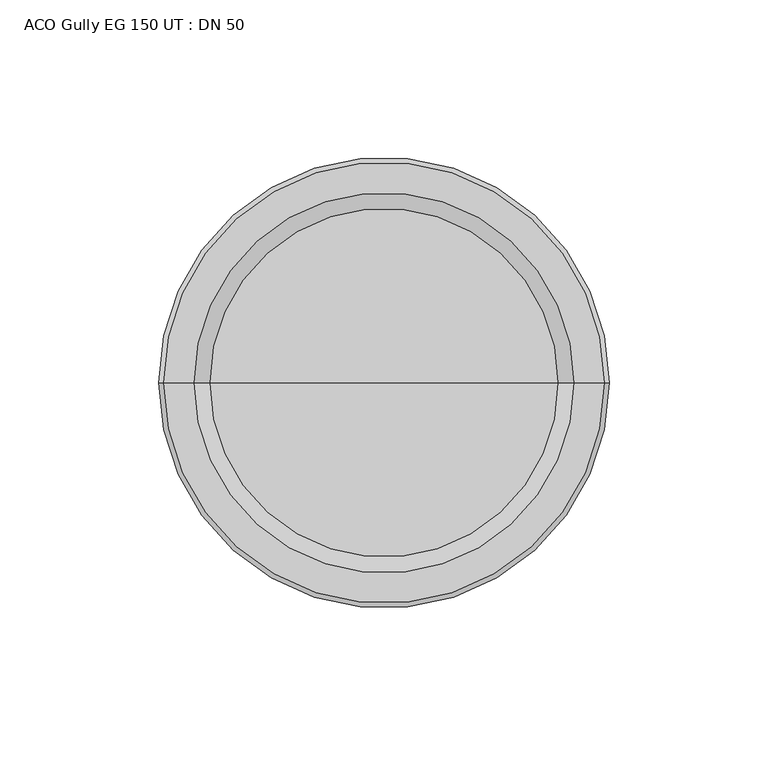
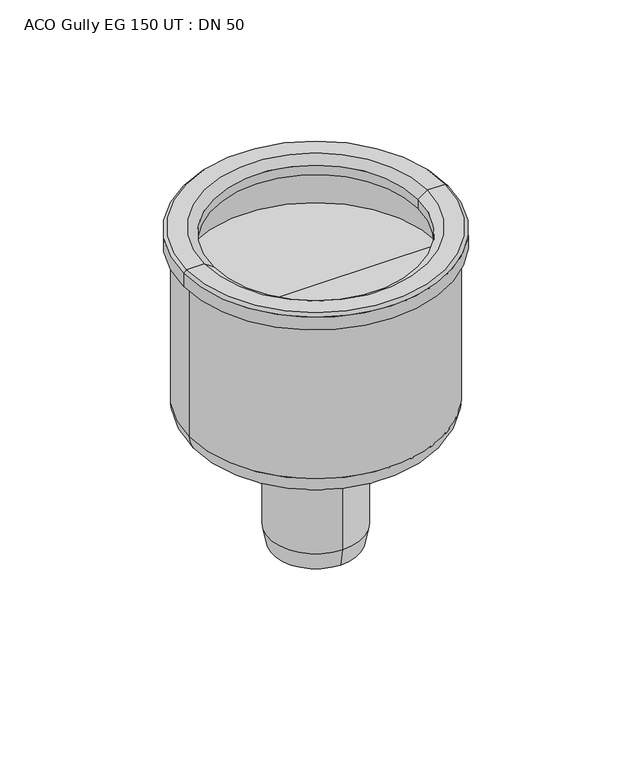
"""IFC4 building model written with IfcOpenShell, lengths in millimetres: flow terminal geometry, ACO Gully EG 150 UT : DN 50."""

from ifc_helpers import new_model, si_unit, point, frame, origin, place, context, project, spatial, polyline, circle_curve, ellipse_curve, trimmed, source, transform, mapped, element, save
from ifc_brep_helpers import plane_surface, cylinder_surface, revolved_surface, advanced_brep


def aco_gully_eg_150_ut_dn_50_e969f59f(model_context):
    return source(origin(), model_context, "Body", "AdvancedBrep", [
        advanced_brep(
        [(-68.0, 0.0, -195.3489424), (68.0, 0.0, -195.3489424), (55.8489424, 0.0, -207.5), (-55.8489424, 0.0, -207.5), (-68.0, 0.0, -108.7851751), (68.0, 0.0, -108.7851751), (0.0, 0.0, -207.5), (-66.5, 0.0, -132.7134268), (66.5, 0.0, -132.7134268), (66.5, 0.0, -108.7851751), (-66.5, 0.0, -108.7851751), (0.0, 0.0, -132.7134268), (-71.0767781, 0.0, -108.7851751), (71.0767781, 0.0, -108.7851751), (-71.0767781, 0.0, -101.5), (71.0767781, 0.0, -101.5), (-69.5767781, 0.0, -100.0), (69.5767781, 0.0, -100.0), (-60.0, 0.0, -100.0), (60.0, 0.0, -100.0), (-55.0, 0.0, -103.4364048), (55.0, 0.0, -103.4364048), (-55.0, 0.0, -108.7851751), (55.0, 0.0, -108.7851751)],
        [
            (0, 1, circle_curve(frame((0.0, 0.0, -195.3489424), z_axis=(0.0, 0.0, -1.0), x_axis=(1.0, 0.0, 0.0)), 68.0)),
            (1, 2, circle_curve(frame((55.8489424, 0.0, -195.3489424), z_axis=(0.0, 1.0, 0.0), x_axis=(1.0, 0.0, 0.0)), 12.1510576)),
            (2, 3, circle_curve(frame((0.0, 0.0, -207.5), z_axis=(0.0, 0.0, 1.0), x_axis=(1.0, 0.0, 0.0)), 55.8489424)),
            (3, 0, circle_curve(frame((-55.8489424, 0.0, -195.3489424), z_axis=(0.0, 1.0, 0.0), x_axis=(-1.0, 0.0, 0.0)), 12.1510576)),
            (1, 0, circle_curve(frame((0.0, 0.0, -195.3489424), z_axis=(0.0, 0.0, -1.0), x_axis=(1.0, 0.0, 0.0)), 68.0)),
            (3, 2, circle_curve(frame((0.0, 0.0, -207.5), z_axis=(0.0, 0.0, 1.0), x_axis=(1.0, 0.0, 0.0)), 55.8489424)),
            (4, 5, circle_curve(frame((0.0, 0.0, -108.7851751), z_axis=(0.0, 0.0, -1.0), x_axis=(1.0, 0.0, 0.0)), 68.0)),
            (5, 1),
            (0, 4),
            (5, 4, circle_curve(frame((0.0, 0.0, -108.7851751), z_axis=(0.0, 0.0, -1.0), x_axis=(1.0, 0.0, 0.0)), 68.0)),
            (2, 6),
            (6, 3),
            (7, 8, circle_curve(frame((0.0, 0.0, -132.7134268), z_axis=(0.0, 0.0, -1.0), x_axis=(1.0, 0.0, 0.0)), 66.5)),
            (8, 9),
            (9, 10, circle_curve(frame((0.0, 0.0, -108.7851751), z_axis=(0.0, 0.0, 1.0), x_axis=(1.0, 0.0, 0.0)), 66.5)),
            (10, 7),
            (8, 7, circle_curve(frame((0.0, 0.0, -132.7134268), z_axis=(0.0, 0.0, -1.0), x_axis=(1.0, 0.0, 0.0)), 66.5)),
            (10, 9, circle_curve(frame((0.0, 0.0, -108.7851751), z_axis=(0.0, 0.0, 1.0), x_axis=(1.0, 0.0, 0.0)), 66.5)),
            (11, 8),
            (7, 11),
            (12, 13, circle_curve(frame((0.0, 0.0, -108.7851751), z_axis=(0.0, 0.0, -1.0), x_axis=(1.0, 0.0, 0.0)), 71.0767781)),
            (13, 5),
            (4, 12),
            (13, 12, circle_curve(frame((0.0, 0.0, -108.7851751), z_axis=(0.0, 0.0, -1.0), x_axis=(1.0, 0.0, 0.0)), 71.0767781)),
            (14, 15, circle_curve(frame((0.0, 0.0, -101.5), z_axis=(0.0, 0.0, -1.0), x_axis=(1.0, 0.0, 0.0)), 71.0767781)),
            (15, 13),
            (12, 14),
            (15, 14, circle_curve(frame((0.0, 0.0, -101.5), z_axis=(0.0, 0.0, -1.0), x_axis=(1.0, 0.0, 0.0)), 71.0767781)),
            (16, 17, circle_curve(frame((0.0, 0.0, -100.0), z_axis=(0.0, 0.0, -1.0), x_axis=(1.0, 0.0, 0.0)), 69.5767781)),
            (17, 15),
            (14, 16),
            (17, 16, circle_curve(frame((0.0, 0.0, -100.0), z_axis=(0.0, 0.0, -1.0), x_axis=(1.0, 0.0, 0.0)), 69.5767781)),
            (18, 19, circle_curve(frame((0.0, 0.0, -100.0), z_axis=(0.0, 0.0, -1.0), x_axis=(1.0, 0.0, 0.0)), 60.0)),
            (19, 17),
            (16, 18),
            (19, 18, circle_curve(frame((0.0, 0.0, -100.0), z_axis=(0.0, 0.0, -1.0), x_axis=(1.0, 0.0, 0.0)), 60.0)),
            (20, 21, circle_curve(frame((0.0, 0.0, -103.4364048), z_axis=(0.0, 0.0, -1.0), x_axis=(1.0, 0.0, 0.0)), 55.0)),
            (21, 19),
            (18, 20),
            (21, 20, circle_curve(frame((0.0, 0.0, -103.4364048), z_axis=(0.0, 0.0, -1.0), x_axis=(1.0, 0.0, 0.0)), 55.0)),
            (22, 23, circle_curve(frame((0.0, 0.0, -108.7851751), z_axis=(0.0, 0.0, -1.0), x_axis=(1.0, 0.0, 0.0)), 55.0)),
            (23, 21),
            (20, 22),
            (23, 22, circle_curve(frame((0.0, 0.0, -108.7851751), z_axis=(0.0, 0.0, -1.0), x_axis=(1.0, 0.0, 0.0)), 55.0)),
            (9, 23),
            (22, 10),
        ],
        [
            revolved_surface(trimmed(ellipse_curve(frame((55.8489424, 0.0, -195.3489424), z_axis=(0.0, -1.0, 0.0), x_axis=(1.0, 0.0, 0.0)), 12.1510576, 12.1510576), [point((55.8489424, 0.0, -207.5))], [point((68.0, 0.0, -195.3489424))], True, "CARTESIAN"), (0.0, 0.0, -101.7134268), (0.0, 0.0, 1.0)),
            cylinder_surface(frame((0.0, 0.0, -101.7134268), z_axis=(0.0, 0.0, 1.0), x_axis=(1.0, 0.0, 0.0)), 68.0),
            plane_surface(frame((0.0, 0.0, -207.5), z_axis=(0.0, 0.0, -1.0), x_axis=(1.0, 0.0, 0.0))),
            revolved_surface(polyline([(66.5, 0.0, -108.7851751), (66.5, 0.0, -132.7134268)]), (0.0, 0.0, -101.7134268), (0.0, 0.0, 1.0)),
            plane_surface(frame((0.0, 0.0, -132.7134268), z_axis=(0.0, 0.0, 1.0), x_axis=(1.0, 0.0, 0.0))),
            plane_surface(frame((0.0, 0.0, -108.7851751), z_axis=(0.0, 0.0, -1.0), x_axis=(1.0, 0.0, 0.0))),
            cylinder_surface(frame((0.0, 0.0, -101.7134268), z_axis=(0.0, 0.0, 1.0), x_axis=(1.0, 0.0, 0.0)), 71.0767781),
            revolved_surface(polyline([(71.0767781, 0.0, -101.5), (69.5767781, 0.0, -100.0)]), (0.0, 0.0, -101.7134268), (0.0, 0.0, 1.0)),
            plane_surface(frame((0.0, 0.0, -100.0), z_axis=(0.0, 0.0, 1.0), x_axis=(1.0, 0.0, 0.0))),
            revolved_surface(polyline([(60.0, 0.0, -100.0), (55.0, 0.0, -103.4364048)]), (0.0, 0.0, -101.7134268), (0.0, 0.0, 1.0)),
            revolved_surface(polyline([(55.0, 0.0, -103.4364048), (55.0, 0.0, -108.7851751)]), (0.0, 0.0, -101.7134268), (0.0, 0.0, 1.0)),
        ],
        [
            (0, [[1, 2, 3, 4]]),
            (0, [[5, -4, 6, -2]]),
            (1, [[7, 8, -1, 9]]),
            (1, [[10, -9, -5, -8]]),
            (2, [[-3, 11, 12]]),
            (2, [[-6, -12, -11]]),
            (3, [[13, 14, 15, 16]]),
            (3, [[17, -16, 18, -14]]),
            (4, [[19, -13, 20]]),
            (4, [[-20, -17, -19]]),
            (5, [[21, 22, -7, 23]]),
            (5, [[24, -23, -10, -22]]),
            (6, [[25, 26, -21, 27]]),
            (6, [[28, -27, -24, -26]]),
            (7, [[29, 30, -25, 31]]),
            (7, [[32, -31, -28, -30]]),
            (8, [[33, 34, -29, 35]]),
            (8, [[36, -35, -32, -34]]),
            (9, [[37, 38, -33, 39]]),
            (9, [[40, -39, -36, -38]]),
            (10, [[41, 42, -37, 43]]),
            (10, [[44, -43, -40, -42]]),
            (5, [[-15, 45, -41, 46]]),
            (5, [[-18, -46, -44, -45]]),
        ],
    ),
        advanced_brep(
        [(0.0, -22.8503347, -278.0374565), (0.0, 22.8503347, -278.0374565), (0.0, 21.7901902, -278.0374565), (0.0, -21.7901902, -278.0374565), (0.0, -25.0, -178.0374565), (0.0, 25.0, -178.0374565), (0.0, 25.0, -267.9753217), (0.0, -25.0, -267.9753217), (0.0, 0.0, -144.0374565), (0.0, 20.0, -144.0374565), (0.0, -20.0, -144.0374565), (0.0, -19.0, -172.4058983), (0.0, 19.0, -172.4058983), (0.0, -21.7901902, -219.0374565), (0.0, 21.7901902, -219.0374565), (0.0, 0.0, -219.0374565)],
        [
            (0, 1, circle_curve(frame((0.0, 0.0, -278.0374565), z_axis=(0.0, 0.0, -1.0), x_axis=(0.0, 1.0, 0.0)), 22.8503347)),
            (1, 2),
            (2, 3, circle_curve(frame((0.0, 0.0, -278.0374565), z_axis=(0.0, 0.0, 1.0), x_axis=(0.0, 1.0, 0.0)), 21.7901902)),
            (3, 0),
            (1, 0, circle_curve(frame((0.0, 0.0, -278.0374565), z_axis=(0.0, 0.0, -1.0), x_axis=(0.0, 1.0, 0.0)), 22.8503347)),
            (3, 2, circle_curve(frame((0.0, 0.0, -278.0374565), z_axis=(0.0, 0.0, 1.0), x_axis=(0.0, 1.0, 0.0)), 21.7901902)),
            (4, 5, circle_curve(frame((0.0, 0.0, -178.0374565), z_axis=(0.0, 0.0, -1.0), x_axis=(0.0, 1.0, 0.0)), 25.0)),
            (5, 6),
            (6, 7, circle_curve(frame((0.0, 0.0, -267.9753217), z_axis=(0.0, 0.0, 1.0), x_axis=(0.0, 1.0, 0.0)), 25.0)),
            (7, 4),
            (5, 4, circle_curve(frame((0.0, 0.0, -178.0374565), z_axis=(0.0, 0.0, -1.0), x_axis=(0.0, 1.0, 0.0)), 25.0)),
            (7, 6, circle_curve(frame((0.0, 0.0, -267.9753217), z_axis=(0.0, 0.0, 1.0), x_axis=(0.0, 1.0, 0.0)), 25.0)),
            (8, 9),
            (9, 10, circle_curve(frame((0.0, 0.0, -144.0374565), z_axis=(0.0, 0.0, 1.0), x_axis=(0.0, 1.0, 0.0)), 20.0)),
            (10, 8),
            (10, 9, circle_curve(frame((0.0, 0.0, -144.0374565), z_axis=(0.0, 0.0, 1.0), x_axis=(0.0, 1.0, 0.0)), 20.0)),
            (11, 12, circle_curve(frame((0.0, 0.0, -172.4058983), z_axis=(0.0, 0.0, -1.0), x_axis=(0.0, 1.0, 0.0)), 19.0)),
            (12, 5),
            (4, 11),
            (12, 11, circle_curve(frame((0.0, 0.0, -172.4058983), z_axis=(0.0, 0.0, -1.0), x_axis=(0.0, 1.0, 0.0)), 19.0)),
            (6, 1),
            (0, 7),
            (13, 14, circle_curve(frame((0.0, 0.0, -219.0374565), z_axis=(0.0, 0.0, -1.0), x_axis=(0.0, 1.0, 0.0)), 21.7901902)),
            (14, 15),
            (15, 13),
            (14, 13, circle_curve(frame((0.0, 0.0, -219.0374565), z_axis=(0.0, 0.0, -1.0), x_axis=(0.0, 1.0, 0.0)), 21.7901902)),
            (2, 14),
            (13, 3),
            (9, 12),
            (11, 10),
        ],
        [
            plane_surface(frame((0.0, 0.0, -278.0374565), z_axis=(0.0, 0.0, -1.0), x_axis=(0.0, 1.0, 0.0))),
            cylinder_surface(frame((0.0, 0.0, -144.0), z_axis=(0.0, 0.0, 1.0), x_axis=(0.0, 1.0, 0.0)), 25.0),
            plane_surface(frame((0.0, 0.0, -144.0374565), z_axis=(0.0, 0.0, 1.0), x_axis=(0.0, 1.0, 0.0))),
            revolved_surface(polyline([(0.0, 25.0, -178.0374565), (0.0, 19.0, -172.4058983)]), (0.0, 0.0, -144.0), (0.0, 0.0, 1.0)),
            revolved_surface(polyline([(0.0, 22.8503347, -278.0374565), (0.0, 25.0, -267.9753217)]), (0.0, 0.0, -144.0), (0.0, 0.0, 1.0)),
            plane_surface(frame((0.0, 0.0, -219.0374565), z_axis=(0.0, 0.0, -1.0), x_axis=(0.0, 1.0, 0.0))),
            revolved_surface(polyline([(0.0, 21.7901902, -219.0374565), (0.0, 21.7901902, -278.0374565)]), (0.0, 0.0, -144.0), (0.0, 0.0, 1.0)),
            revolved_surface(polyline([(0.0, 19.0, -172.4058983), (0.0, 20.0, -144.0374565)]), (0.0, 0.0, -144.0), (0.0, 0.0, 1.0)),
        ],
        [
            (0, [[1, 2, 3, 4]]),
            (0, [[5, -4, 6, -2]]),
            (1, [[7, 8, 9, 10]]),
            (1, [[11, -10, 12, -8]]),
            (2, [[13, 14, 15]]),
            (2, [[-15, 16, -13]]),
            (3, [[17, 18, -7, 19]]),
            (3, [[20, -19, -11, -18]]),
            (4, [[-9, 21, -1, 22]]),
            (4, [[-12, -22, -5, -21]]),
            (5, [[23, 24, 25]]),
            (5, [[26, -25, -24]]),
            (6, [[-3, 27, -23, 28]]),
            (6, [[-6, -28, -26, -27]]),
            (7, [[-14, 29, -17, 30]]),
            (7, [[-16, -30, -20, -29]]),
        ],
    ),
    ])


if __name__ == "__main__":
    model = new_model("IFC4")
    model_context = context("Model", 3, world=origin())
    ifc_project = project(units=[si_unit("LENGTHUNIT", "METRE", prefix="MILLI")], contexts=[model_context])
    site = spatial("IfcSite", under=ifc_project)
    building = spatial("IfcBuilding", under=site)
    placement = place(None, origin())
    aco_gully_eg_150_ut_dn_50_shape = aco_gully_eg_150_ut_dn_50_e969f59f(model_context)
    element("IfcFlowTerminal", 1, ObjectType="ACO Gully EG 150 UT : DN 50", at=placement, inside=building, context=model_context, shape_type="MappedRepresentation", body=[
        mapped(aco_gully_eg_150_ut_dn_50_shape, transform((0.0, 0.0, 0.0), x_axis=(1.0, 0.0, 0.0), y_axis=(0.0, 1.0, 0.0), z_axis=(0.0, 0.0, 1.0))),
    ])
    save(model, "model.ifc")
